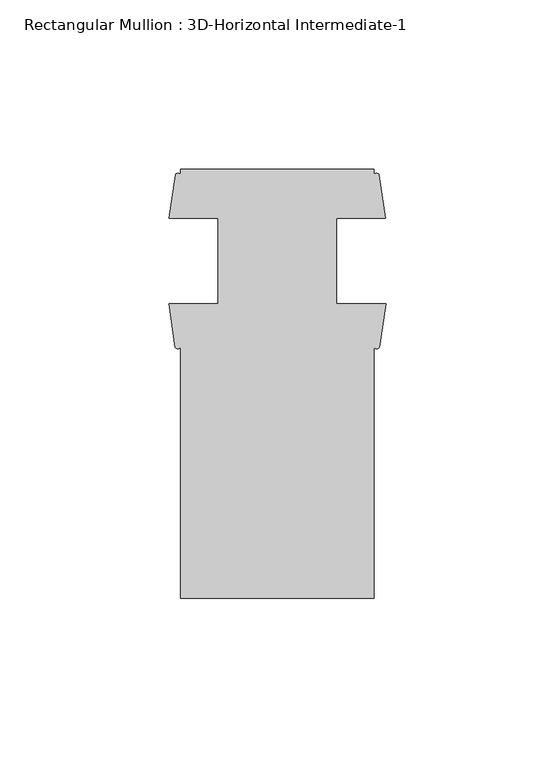
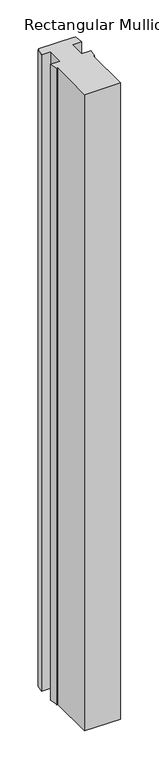
"""IFC4 building model written with IfcOpenShell, lengths in millimetres: member geometry, Rectangular Mullion : 3D-Horizontal Intermediate-1."""

from ifc_helpers import new_model, si_unit, point, frame, frame_2d, origin, place, context, project, spatial, polyline, circle_curve, trimmed, segment, composite_curve, outline, extrude, source, transform, mapped, element, save


def rectangular_mullion_3d_horizontal_intermediate_1_cd5b788d(model_context):
    return source(origin(), model_context, "Body", "SweptSolid", [
        extrude(outline(composite_curve([segment(polyline([(28.575, 1.2984222), (28.575, -73.025), (-28.575, -73.025), (-28.575, 1.2984222)]), True, "CONTINUOUS"), segment(trimmed(circle_curve(frame_2d((-29.4067022, 1.8269416)), 0.9854244), [point((-28.575, 1.2984222))], [point((-30.2384044, 1.2984222))], False, "CARTESIAN"), True, "CONTINUOUS"), segment(polyline([(-30.2384044, 1.2984222), (-32.0945217, 14.071475), (-17.4625, 14.071475), (-17.4625, 39.471475), (-31.971, 39.471475), (-30.1608963, 52.2427625)]), True, "CONTINUOUS"), segment(trimmed(circle_curve(frame_2d((-29.3679481, 51.7772815)), 0.9194778), [point((-30.1608963, 52.2427625))], [point((-28.575, 52.2427625))], False, "CARTESIAN"), True, "CONTINUOUS"), segment(polyline([(-28.575, 52.2427625), (-28.575, 53.975), (28.575, 53.975), (28.575, 52.2427625)]), True, "CONTINUOUS"), segment(trimmed(circle_curve(frame_2d((29.3679481, 51.729482)), 0.9445759), [point((28.575, 52.2427625))], [point((30.1608963, 52.2427625))], False, "CARTESIAN"), True, "CONTINUOUS"), segment(polyline([(30.1608963, 52.2427625), (31.971, 39.471475), (17.4625, 39.471475), (17.4625, 14.071475), (32.0945217, 14.071475), (30.2384044, 1.2984222)]), True, "CONTINUOUS"), segment(trimmed(circle_curve(frame_2d((29.4067022, 1.7556804)), 0.949112), [point((30.2384044, 1.2984222))], [point((28.575, 1.2984222))], False, "CARTESIAN"), True, "CONTINUOUS")], self_intersect=False)), frame((0.0, 0.0, -1069.2859565), z_axis=(0.0, 0.0, 1.0), x_axis=(1.0, 0.0, 0.0)), (0.0, 0.0, 1.0), 1069.2859565),
    ])


if __name__ == "__main__":
    model = new_model("IFC4")
    model_context = context("Model", 3, world=origin())
    ifc_project = project(units=[si_unit("LENGTHUNIT", "METRE", prefix="MILLI")], contexts=[model_context])
    site = spatial("IfcSite", under=ifc_project)
    building = spatial("IfcBuilding", under=site)
    placement = place(None, origin())
    rectangular_mullion_3d_horizontal_intermediate_1_shape = rectangular_mullion_3d_horizontal_intermediate_1_cd5b788d(model_context)
    element("IfcMember", 1, ObjectType="Rectangular Mullion : 3D-Horizontal Intermediate-1", at=placement, inside=building, context=model_context, shape_type="MappedRepresentation", body=[
        mapped(rectangular_mullion_3d_horizontal_intermediate_1_shape, transform((0.0, 0.0, 0.0), x_axis=(1.0, 0.0, 0.0), y_axis=(0.0, 1.0, 0.0), z_axis=(0.0, 0.0, 1.0))),
    ])
    save(model, "model.ifc")
